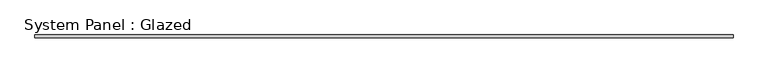
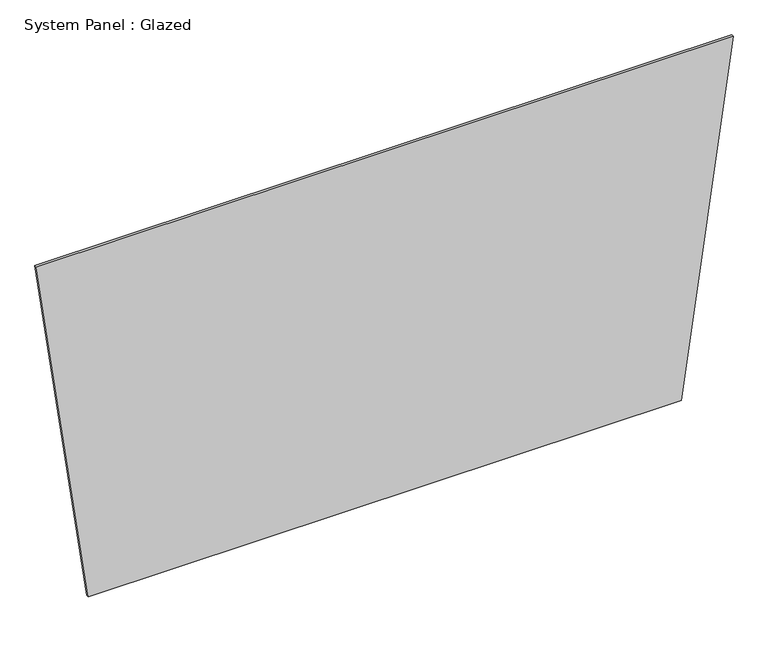
"""IFC4 building model written with IfcOpenShell, lengths in millimetres: plate geometry, System Panel : Glazed."""

from ifc_helpers import new_model, si_unit, frame, origin, place, context, project, spatial, polyline, outline, extrude, source, transform, mapped, element, save


def system_panel_glazed_bf335941(model_context):
    return source(origin(), model_context, "Body", "SweptSolid", [
        extrude(outline(polyline([(0.0, -2750.0), (0.0, 2750.0), (3407.5224105, 3232.8188876), (3407.5224105, -3232.8188876), (0.0, -2750.0)])), frame((0.0, -49.5, 0.0), z_axis=(0.0, 1.0, 0.0), x_axis=(0.0, 0.0, 1.0)), (0.0, 0.0, 1.0), 25.0),
    ])


if __name__ == "__main__":
    model = new_model("IFC4")
    model_context = context("Model", 3, world=origin())
    ifc_project = project(units=[si_unit("LENGTHUNIT", "METRE", prefix="MILLI")], contexts=[model_context])
    site = spatial("IfcSite", under=ifc_project)
    building = spatial("IfcBuilding", under=site)
    placement = place(None, origin())
    system_panel_glazed_shape = system_panel_glazed_bf335941(model_context)
    element("IfcPlate", 1, ObjectType="System Panel : Glazed", at=placement, inside=building, context=model_context, shape_type="MappedRepresentation", body=[
        mapped(system_panel_glazed_shape, transform((0.0, 0.0, 0.0), x_axis=(1.0, 0.0, 0.0), y_axis=(0.0, 1.0, 0.0), z_axis=(0.0, 0.0, 1.0))),
    ])
    save(model, "model.ifc")
